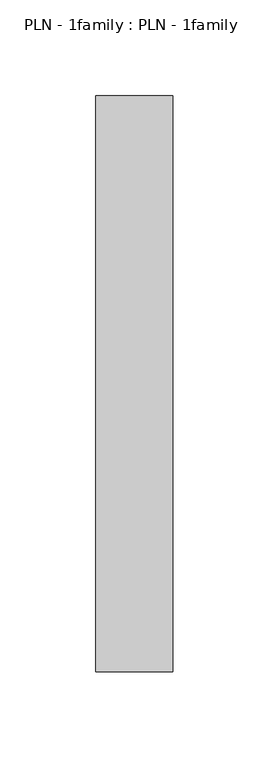
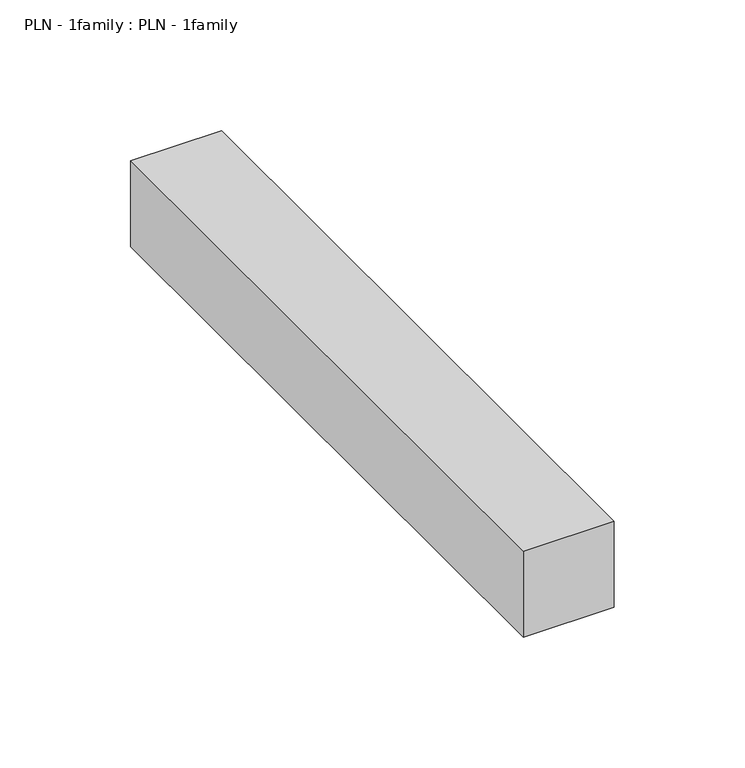
"""IFC4 building model written with IfcOpenShell, lengths in millimetres: proxy geometry, PLN - 1family : PLN - 1family."""

from ifc_helpers import new_model, si_unit, frame, origin, place, context, project, spatial, polyline, outline, extrude, source, transform, mapped, element, save


def pln_1family_pln_1family_72982883(model_context):
    return source(origin(), model_context, "Body", "SweptSolid", [
        extrude(outline(polyline([(0.0, 300.0), (40.0, 300.0), (40.0, 0.0), (0.0, 0.0), (0.0, 300.0)])), frame((0.0, 0.0, 100.0), z_axis=(0.0, 0.0, 1.0), x_axis=(1.0, 0.0, 0.0)), (0.0, 0.0, 1.0), 40.0),
    ])


if __name__ == "__main__":
    model = new_model("IFC4")
    model_context = context("Model", 3, world=origin())
    ifc_project = project(units=[si_unit("LENGTHUNIT", "METRE", prefix="MILLI")], contexts=[model_context])
    site = spatial("IfcSite", under=ifc_project)
    building = spatial("IfcBuilding", under=site)
    placement = place(None, origin())
    pln_1family_pln_1family_shape = pln_1family_pln_1family_72982883(model_context)
    element("IfcBuildingElementProxy", 1, Name="PLN - 1family : PLN - 1family", ObjectType="PLN - 1family : PLN - 1family", at=placement, inside=building, context=model_context, shape_type="MappedRepresentation", body=[
        mapped(pln_1family_pln_1family_shape, transform((0.0, 0.0, 0.0), x_axis=(1.0, 0.0, 0.0), y_axis=(0.0, 1.0, 0.0), z_axis=(0.0, 0.0, 1.0))),
    ])
    save(model, "model.ifc")
